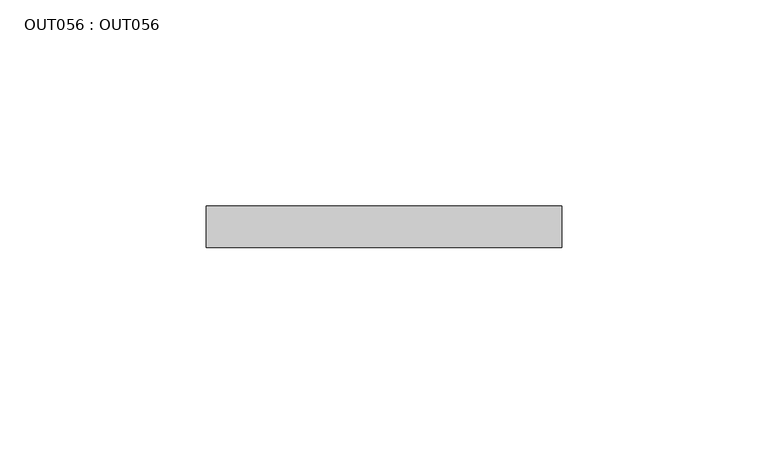
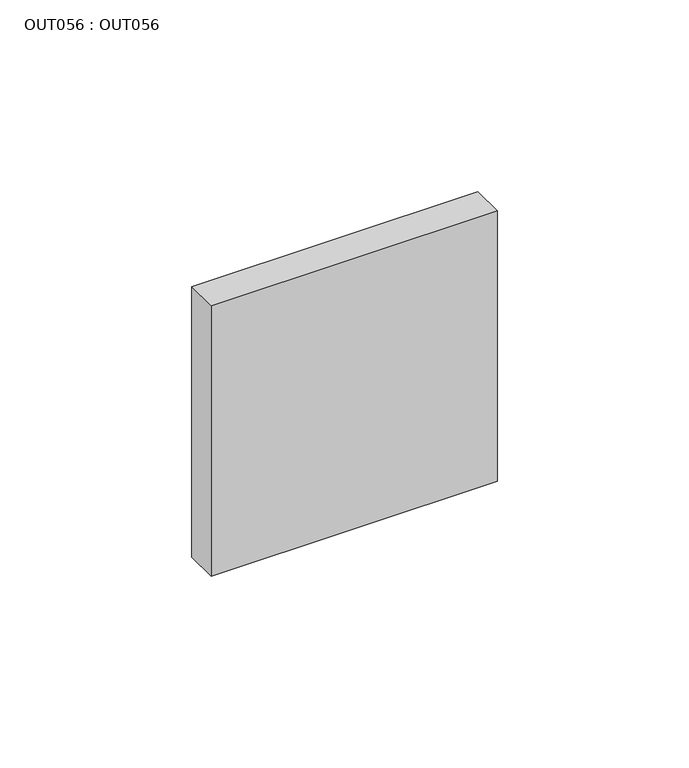
"""IFC4 building model written with IfcOpenShell, lengths in millimetres: proxy geometry, OUT056 : OUT056."""

from ifc_helpers import new_model, si_unit, frame, origin, place, context, project, spatial, polyline, outline, extrude, source, transform, mapped, element, save


def out056_out056_d31f818a(model_context):
    return source(origin(), model_context, "Body", "SweptSolid", [
        extrude(outline(polyline([(43.0000007, 0.0), (43.0000007, -10.0000005), (-43.0000007, -10.0000005), (-43.0000007, 0.0), (43.0000007, 0.0)])), frame((0.0, 0.0, -43.0), z_axis=(0.0, 0.0, 1.0), x_axis=(1.0, 0.0, 0.0)), (0.0, 0.0, 1.0), 86.0),
    ])


if __name__ == "__main__":
    model = new_model("IFC4")
    model_context = context("Model", 3, world=origin())
    ifc_project = project(units=[si_unit("LENGTHUNIT", "METRE", prefix="MILLI")], contexts=[model_context])
    site = spatial("IfcSite", under=ifc_project)
    building = spatial("IfcBuilding", under=site)
    placement = place(None, origin())
    out056_out056_shape = out056_out056_d31f818a(model_context)
    element("IfcBuildingElementProxy", 1, Name="OUT056 : OUT056", ObjectType="OUT056 : OUT056", at=placement, inside=building, context=model_context, shape_type="MappedRepresentation", body=[
        mapped(out056_out056_shape, transform((0.0, 0.0, 0.0), x_axis=(1.0, 0.0, 0.0), y_axis=(0.0, 1.0, 0.0), z_axis=(0.0, 0.0, 1.0))),
    ])
    save(model, "model.ifc")
